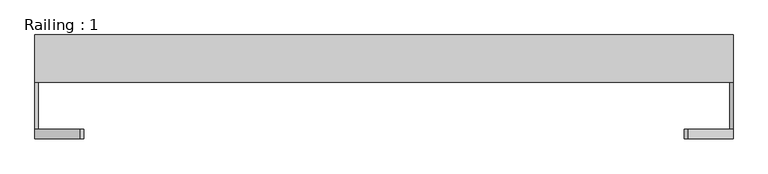
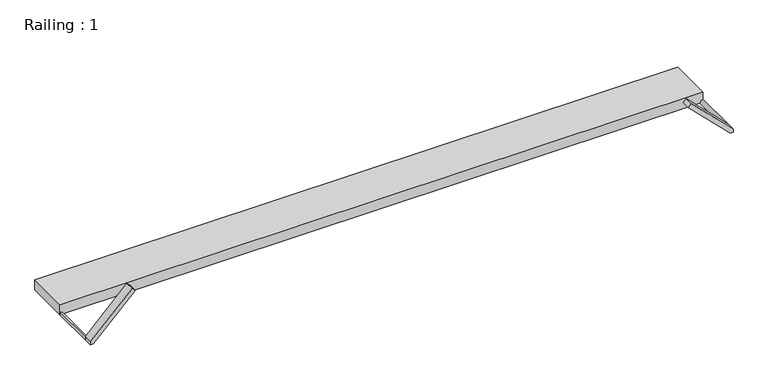
"""IFC4 building model written with IfcOpenShell, lengths in millimetres: proxy geometry, Railing : 1."""

from ifc_helpers import new_model, si_unit, point, frame, frame_2d, origin, origin_with_axes, place, context, project, spatial, polyline, circle_curve, trimmed, segment, composite_curve, outline, extrude, source, transform, mapped, element, save


def railing_1_cbcc2df3(model_context):
    return source(origin(), model_context, "Body", "SweptSolid", [
        extrude(outline(polyline([(740.0, 148.3559767), (-740.0, 148.3559767), (-740.0, 248.3559767), (740.0, 248.3559767), (740.0, 148.3559767)])), origin_with_axes(), (0.0, 0.0, 1.0), 25.0),
        extrude(outline(composite_curve([segment(polyline([(0.0, 740.0), (7.0710678, 740.0)]), True, "CONTINUOUS"), segment(trimmed(circle_curve(frame_2d((0.0, 740.0)), 7.0710678), [point((7.0710678, 740.0))], [point((0.0, 732.9289322))], False, "CARTESIAN"), True, "CONTINUOUS"), segment(polyline([(0.0, 732.9289322), (0.0, 740.0)]), True, "CONTINUOUS")], self_intersect=False)), frame((0.0, 48.3559767, 0.0), z_axis=(0.0, 1.0, 0.0), x_axis=(0.0, 0.0, 1.0)), (0.0, 0.0, 1.0), 100.0),
        extrude(outline(composite_curve([segment(polyline([(0.0, -740.0), (0.0, -732.9289322)]), True, "CONTINUOUS"), segment(trimmed(circle_curve(frame_2d((0.0, -740.0)), 7.0710678), [point((0.0, -732.9289322))], [point((7.0710678, -740.0))], False, "CARTESIAN"), True, "CONTINUOUS"), segment(polyline([(7.0710678, -740.0), (0.0, -740.0)]), True, "CONTINUOUS")], self_intersect=False)), frame((0.0, 48.3559767, 0.0), z_axis=(0.0, 1.0, 0.0), x_axis=(0.0, 0.0, 1.0)), (0.0, 0.0, 1.0), 100.0),
        extrude(outline(polyline([(103.5355339, 643.5355339), (96.4644661, 636.4644661), (0.0, 732.9289322), (0.0, 740.0), (7.0710678, 740.0), (103.5355339, 643.5355339)])), frame((0.0, 28.3559767, 0.0), z_axis=(0.0, 1.0, 0.0), x_axis=(0.0, 0.0, 1.0)), (0.0, 0.0, 1.0), 20.0),
        extrude(outline(polyline([(0.0, -740.0), (0.0, -732.9289322), (96.4644661, -636.4644661), (103.5355339, -643.5355339), (7.0710678, -740.0), (0.0, -740.0)])), frame((0.0, 28.3559767, 0.0), z_axis=(0.0, 1.0, 0.0), x_axis=(0.0, 0.0, 1.0)), (0.0, 0.0, 1.0), 20.0),
    ])


if __name__ == "__main__":
    model = new_model("IFC4")
    model_context = context("Model", 3, world=origin())
    ifc_project = project(units=[si_unit("LENGTHUNIT", "METRE", prefix="MILLI")], contexts=[model_context])
    site = spatial("IfcSite", under=ifc_project)
    building = spatial("IfcBuilding", under=site)
    placement = place(None, origin())
    railing_1_shape = railing_1_cbcc2df3(model_context)
    element("IfcBuildingElementProxy", 1, Name="Railing : 1", ObjectType="Railing : 1", at=placement, inside=building, context=model_context, shape_type="MappedRepresentation", body=[
        mapped(railing_1_shape, transform((0.0, 0.0, 0.0), x_axis=(1.0, 0.0, 0.0), y_axis=(0.0, 1.0, 0.0), z_axis=(0.0, 0.0, 1.0))),
    ])
    save(model, "model.ifc")
